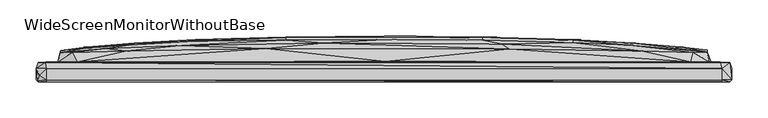
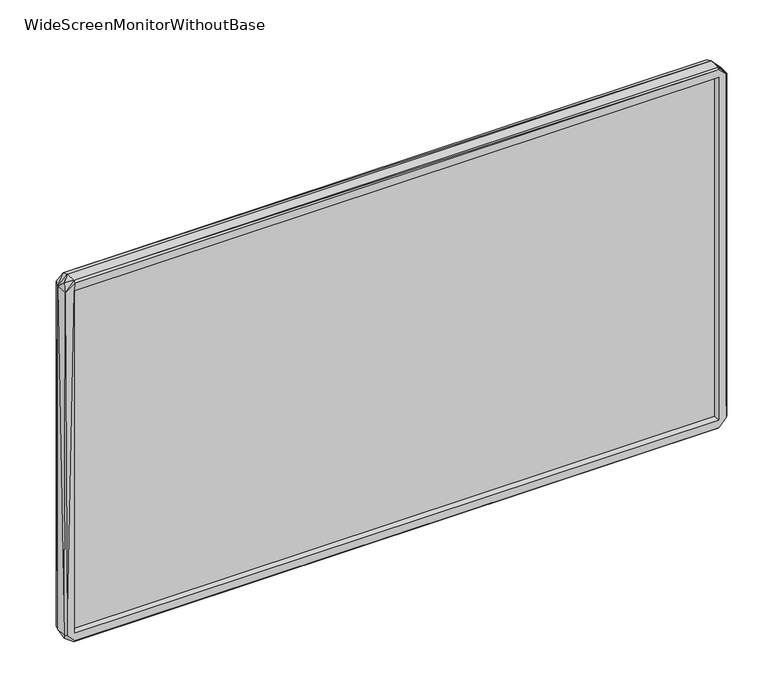
"""IFC4 building model written with IfcOpenShell, lengths in millimetres: furniture geometry, WideScreenMonitorWithoutBase."""

import ifcopenshell
import ifcopenshell.guid

model = None  # the IFC model being written
_history = None  # IfcOwnerHistory: only IFC2X3 demands one
_inside = {}  # id of a spatial element -> (the spatial element, [elements in it])
_under = {}  # id of a project, library or spatial element -> (it, [spatial elements below it])
_declared = {}  # id of a project -> (the project, [libraries it declares])
_typed = {}  # id of a type object -> (the type object, [elements of that type])
_made_of = {}  # id of a material, layer set ... -> (it, [elements and type objects made of it])


def new_model(schema):
    """Start an empty IFC model of exactly this schema.

    Asked for "IFC4X3", IfcOpenShell would pick the latest addendum, in which some entities
    have other attributes; the version numbers below select the first issue.
    IFC2X3 requires an IfcOwnerHistory on every rooted entity: one is made here for all.
    """
    global model, _history
    if schema == "IFC4X3":
        model = ifcopenshell.file(schema_version=(4, 3, 0, 0))
    else:
        model = ifcopenshell.file(schema=schema)
    _inside.clear()
    _under.clear()
    _declared.clear()
    _typed.clear()
    _made_of.clear()
    _history = None
    if model.schema == "IFC2X3":
        org = make("IfcOrganization", Name="unknown")
        user = make(
            "IfcPersonAndOrganization",
            ThePerson=make("IfcPerson", FamilyName="unknown"),
            TheOrganization=org,
        )
        app = make(
            "IfcApplication",
            ApplicationDeveloper=org,
            Version="unknown",
            ApplicationFullName="unknown",
            ApplicationIdentifier="unknown",
        )
        _history = make(
            "IfcOwnerHistory",
            OwningUser=user,
            OwningApplication=app,
            ChangeAction="ADDED",
            CreationDate=0,
        )
    return model


def make(cls, **values):
    """One entity of the class cls with the attributes given. An attribute that is None is left unset."""
    return model.create_entity(
        cls, **{name: value for name, value in values.items() if value is not None}
    )


def rooted(cls, **values):
    """An entity with a GlobalId (a new one), such as an element, a storey or a relation."""
    return make(cls, GlobalId=ifcopenshell.guid.new(), OwnerHistory=_history, **values)


def si_unit(unit_type, name, prefix=None):
    """IfcSIUnit, for example si_unit("LENGTHUNIT", "METRE", prefix="MILLI")."""
    return make("IfcSIUnit", UnitType=unit_type, Prefix=prefix, Name=name)


def assignment(units):
    """IfcUnitAssignment: the units of a project."""
    return None if units is None else make("IfcUnitAssignment", Units=units)


def point(xyz):
    """IfcCartesianPoint."""
    return None if xyz is None else make("IfcCartesianPoint", Coordinates=xyz)


def direction(xyz):
    """IfcDirection."""
    return None if xyz is None else make("IfcDirection", DirectionRatios=xyz)


def frame(location, z_axis=None, x_axis=None):
    """IfcAxis2Placement3D, a coordinate frame: its origin and axes. An axis left out is left unset."""
    return make(
        "IfcAxis2Placement3D",
        Location=point(location),
        Axis=direction(z_axis),
        RefDirection=direction(x_axis),
    )


def origin():
    """The frame at (0, 0, 0) with its axes left unset."""
    return frame((0.0, 0.0, 0.0))


def place(relative_to, where):
    """IfcLocalPlacement: puts the frame where relative to a parent placement (None: the world)."""
    return make(
        "IfcLocalPlacement", PlacementRelTo=relative_to, RelativePlacement=where
    )


def context(
    kind, dimensions, precision=None, world=None, true_north=None, identifier=None
):
    """IfcGeometricRepresentationContext, for example the 3D "Model" context."""
    return make(
        "IfcGeometricRepresentationContext",
        ContextIdentifier=identifier,
        ContextType=kind,
        CoordinateSpaceDimension=dimensions,
        Precision=precision,
        WorldCoordinateSystem=world,
        TrueNorth=true_north,
    )


def project(units=None, contexts=None):
    """IfcProject with its units and contexts."""
    return rooted(
        "IfcProject",
        Name="project",
        RepresentationContexts=contexts,
        UnitsInContext=assignment(units),
    )


def spatial(cls, under=None, at=None, **own):
    """A site, building, storey or space (cls), placed at a placement, below another one or the project."""
    s = rooted(cls, ObjectPlacement=at, **own)
    if under is not None:
        _under.setdefault(under.id(), (under, []))[1].append(s)
    return s


def point_list(points):
    """IfcCartesianPointList2D or 3D."""
    cls = (
        "IfcCartesianPointList2D" if len(points[0]) == 2 else "IfcCartesianPointList3D"
    )
    return make(cls, CoordList=points)


def triangles(points, corners, closed=None, point_numbers=None):
    """IfcTriangulatedFaceSet: each triangle names its three corners, points numbered from 1."""
    return make(
        "IfcTriangulatedFaceSet",
        Coordinates=point_list(points),
        Closed=closed,
        CoordIndex=corners,
        PnIndex=point_numbers,
    )


def shape(context_of_items, identifier, shape_type, items):
    """IfcShapeRepresentation: the items that make up one representation, for example the "Body"."""
    return make(
        "IfcShapeRepresentation",
        ContextOfItems=context_of_items,
        RepresentationIdentifier=identifier,
        RepresentationType=shape_type,
        Items=items,
    )


def source(mapping_origin, context_of_items, identifier, shape_type, items):
    """IfcRepresentationMap: a shape defined once, which mapped items show again and again."""
    return make(
        "IfcRepresentationMap",
        MappingOrigin=mapping_origin,
        MappedRepresentation=shape(context_of_items, identifier, shape_type, items),
    )


def transform(
    local_origin,
    x_axis=None,
    y_axis=None,
    z_axis=None,
    scale=None,
    scale2=None,
    scale3=None,
    uniform=True,
):
    """IfcCartesianTransformationOperator3D, or its non-uniform kind. x_axis, y_axis, z_axis: its Axis1, 2, 3."""
    if uniform:
        return make(
            "IfcCartesianTransformationOperator3D",
            Axis1=direction(x_axis),
            Axis2=direction(y_axis),
            LocalOrigin=point(local_origin),
            Scale=scale,
            Axis3=direction(z_axis),
        )
    return make(
        "IfcCartesianTransformationOperator3DnonUniform",
        Axis1=direction(x_axis),
        Axis2=direction(y_axis),
        LocalOrigin=point(local_origin),
        Scale=scale,
        Axis3=direction(z_axis),
        Scale2=scale2,
        Scale3=scale3,
    )


def mapped(mapping_source, mapping_target):
    """IfcMappedItem: shows the shape of a source again, moved by a transform."""
    return make(
        "IfcMappedItem", MappingSource=mapping_source, MappingTarget=mapping_target
    )


def made_of(thing, what):
    """Note that an element or type object is made of a material, layer set ...; save() writes the relation."""
    if what is not None:
        _made_of.setdefault(what.id(), (what, []))[1].append(thing)
    return thing


def element(
    cls,
    number,
    at=None,
    inside=None,
    cuts=None,
    type_object=None,
    material=None,
    context=None,
    identifier="Body",
    shape_type=None,
    held_by="IfcProductDefinitionShape",
    body=None,
    shapes=None,
    **own,
):
    """One element of the class cls, such as IfcWall. Its Tag is "e" and its number.

    at: its placement. inside: the storey or other place that contains it. cuts: it is an
    opening in that element (IfcRelVoidsElement). A single representation is given by context,
    identifier, shape_type and body (its items); several are given by shapes. held_by: the class
    of the entity that holds the representations. save() writes the other relations.
    """
    e = rooted(cls, Tag="e%d" % number, ObjectPlacement=at, **own)
    if body is not None:
        shapes = [shape(context, identifier, shape_type, body)]
    if shapes is not None:
        e.Representation = make(held_by, Representations=shapes)
    if inside is not None:
        _inside.setdefault(inside.id(), (inside, []))[1].append(e)
    if cuts is not None:
        rooted(
            "IfcRelVoidsElement", RelatingBuildingElement=cuts, RelatedOpeningElement=e
        )
    if type_object is not None:
        _typed.setdefault(type_object.id(), (type_object, []))[1].append(e)
    return made_of(e, material)


def aggregate(whole, parts):
    """IfcRelAggregates: a whole, such as a stair, and the parts it consists of."""
    return rooted("IfcRelAggregates", RelatingObject=whole, RelatedObjects=parts)


def save(model, path):
    """Write the relations noted so far, then the file.

    IfcRelAggregates (storeys below a building ...), IfcRelContainedInSpatialStructure (elements
    in a storey), IfcRelDefinesByType, IfcRelAssociatesMaterial and IfcRelDeclares: one each for
    every whole, place, type object, material and project.
    """
    for whole, parts in _under.values():
        aggregate(whole, parts)
    for where, things in _inside.values():
        rooted(
            "IfcRelContainedInSpatialStructure",
            RelatedElements=things,
            RelatingStructure=where,
        )
    for kind, things in _typed.values():
        rooted("IfcRelDefinesByType", RelatedObjects=things, RelatingType=kind)
    for what, things in _made_of.values():
        rooted("IfcRelAssociatesMaterial", RelatedObjects=things, RelatingMaterial=what)
    for by, libraries in _declared.values():
        rooted("IfcRelDeclares", RelatingContext=by, RelatedDefinitions=libraries)
    model.write(path)


def widescreenmonitorwithoutbase_ee2d6b88(model_context):
    return source(origin(), model_context, "Body", "Tessellation", [
        triangles([(463.3285503, 4.1466929, 17.551227), (463.3285503, 4.1466929, 535.40075), (463.3285503, 1.8466926, 17.551227), (463.3285503, 1.8466926, 535.40075), (-463.2796071, 1.8466412, 535.40075), (-463.2796071, 4.1466415, 535.40075), (-463.2796071, 4.1466415, 17.551227), (-463.2796071, 1.8466412, 17.551227)], [[1, 2, 3], [3, 2, 4], [5, 4, 2], [5, 2, 6], [7, 1, 3], [7, 3, 8], [7, 6, 1], [7, 8, 5], [7, 5, 6], [8, 3, 4], [8, 4, 5], [1, 6, 2]]),
        triangles([(-479.8060329, 14.5199735, 14.4410233), (-479.8060329, -1.2800267, 14.4410233), (-479.706039, 14.5199735, 538.7084332), (-476.9060283, 22.9199741, 13.6410233), (-476.1060408, 5.2199734, 4.5410237), (-477.0060585, 22.9199741, 540.3084083), (-477.1060524, -4.0800264, 14.2410241), (-478.6060335, -2.4800264, 538.7084332), (-466.3060212, -4.0800258, 14.2410241), (-466.3060212, -4.0800258, 538.7084332), (-466.0060395, -4.0800258, 2.6410236), (-466.0060395, -1.280026, 0.0410237), (-449.8060472, 23.4199754, 48.4410249), (-418.9998608, 23.5199761, 25.7410228), (-468.7060564, 22.9199741, 3.3410238), (-466.0060395, 14.5199747, 0.0410237), (463.8052291, 22.9200263, 2.7410235), (466.2052279, -4.0799739, 2.7410235), (466.3052218, -4.0799739, 14.2410241), (-463.3060226, 1.8199742, 17.5410226), (463.3052233, 1.8200257, 17.5410226), (466.2052279, -1.279974, 0.0410237), (466.2052279, 14.5200269, 0.0410237), (-463.3060226, 7.8199731, 17.5410226), (-463.3060226, 7.8199731, 535.408453), (-463.3060226, 1.8199742, 535.408453), (463.3052233, 7.8200248, 17.5410226), (-11.5504055, 7.92, 272.5247353), (-449.8060472, 23.4199754, 504.5084496), (-445.806037, 36.9855581, 70.7977634), (-428.3998684, 36.1855593, 33.9410219), (-445.9060309, 39.1855578, 386.238234), (422.1990478, 23.5200238, 25.7410228), (-395.6998658, 37.1855618, 29.5410225), (3.049591, 42.1855837, 29.5410225), (330.3928782, 38.9855973, 29.5410225), (427.6990754, 36.1856047, 33.4410229), (448.4052243, 23.4200253, 45.2410203), (476.9052289, 22.9200263, 14.9410234), (445.8052377, 37.0856065, 73.2977607), (450.5052415, 23.9200243, 245.6679807), (463.3052233, 7.8200248, 535.408453), (463.3052233, 1.8200257, 535.408453), (475.8052234, 4.6200268, 4.0410236), (479.8052336, -1.2799733, 14.2410241), (477.2052106, -4.0799733, 14.5410229), (466.3052218, -4.0799739, 538.7084332), (479.8052336, 14.520028, 14.3410237), (477.1052167, 22.9200263, 539.5083844), (479.8052336, 14.520028, 538.4084152), (479.6052458, -1.2799733, 539.0084513), (477.0052228, -4.0799733, 540.6083899), (-337.5936378, 47.1855646, 128.6545108), (-275.5813075, 40.1855649, 29.5410225), (-160.8689235, 48.4855761, 75.997764), (-260.4813025, 50.585566, 128.5545078), (82.961951, 49.2855863, 75.997764), (281.9867123, 46.2856014, 80.4977664), (354.3929031, 46.1856029, 127.6545083), (410.0990596, 42.6856076, 144.8545031), (-445.9060309, 39.5855561, 186.1112417), (-410.099859, 44.3855584, 247.8679918), (-342.5936597, 49.3855666, 203.3679827), (-135.2689236, 53.5855737, 129.3545044), (0.0495918, 54.4855823, 128.7544956), (135.2681787, 53.4855889, 127.5545053), (260.4805213, 52.5855938, 176.4112342), (445.9052316, 39.4856076, 176.811228), (445.9052316, 39.6856091, 351.1814713), (445.8052377, 36.9856104, 481.851693), (-260.4813025, 53.5855646, 203.3679827), (-135.2689236, 57.0855735, 203.3679827), (0.0495916, 58.185579, 203.3679827), (135.2681787, 57.0855871, 203.3679827), (344.9928592, 49.1856015, 203.3679827), (410.0990596, 44.3856038, 304.1814876), (260.4805213, 54.485596, 276.3247577), (343.7928961, 49.9855981, 276.3247577), (448.7052423, 23.4200253, 506.7084606), (-343.7936591, 49.9855618, 276.3247577), (-344.9936585, 49.1855606, 349.1814843), (-410.099859, 42.6855622, 406.4949918), (-260.4813025, 54.4855687, 276.3247577), (-135.2689236, 58.0855761, 276.3247577), (0.0495915, 59.28558, 276.3247577), (135.2681787, 58.0855897, 276.3247577), (-260.4813025, 52.5855666, 376.2382267), (-135.2689236, 57.0855735, 349.1814843), (0.0495916, 58.185579, 349.1814843), (135.2681787, 57.0855871, 349.1814843), (260.4805213, 53.5855964, 349.1814843), (342.5928603, 49.3856029, 349.1814843), (-350.8936618, 46.7855618, 417.3949805), (-135.2689236, 53.4855707, 424.9949527), (0.0495918, 54.4855823, 423.8949835), (135.2681787, 53.5855873, 423.2949474), (260.4805213, 50.5855978, 424.0949713), (337.5928748, 47.1856055, 423.8949835), (-445.7060431, 36.5855576, 491.5516823), (-280.8874879, 46.2855696, 472.5517156), (-383.6998715, 41.8855611, 473.6516848), (-83.3627623, 49.2855772, 476.6516833), (162.3681779, 48.3855913, 476.6516833), (355.8928843, 38.4856006, 523.2084346), (426.6990274, 36.1856047, 519.3084546), (-430.2060445, 36.1855593, 517.608413), (-356.2936592, 38.4855642, 523.2084346), (-163.2689223, 41.6855733, 523.2084346), (172.768179, 41.585593, 523.2084346), (-475.8060227, 4.6199737, 548.9084284), (-466.3060212, 14.5199747, 552.8084084), (-467.206039, 22.9199741, 550.0084339), (-466.1060334, -1.280026, 552.9084386), (-466.1060334, -4.0800258, 550.2083854), (-422.999871, 23.5199761, 526.9083904), (1.8495921, 24.3199999, 527.5084265), (464.205241, 22.9200263, 550.2083854), (466.2052279, 14.5200269, 552.8084084), (466.0052402, -4.0799739, 550.3084156), (466.1052341, -1.279974, 552.9084386), (422.8990414, 23.5200238, 527.1084146)], [[1, 2, 3], [1, 4, 5], [1, 5, 2], [1, 3, 6], [1, 6, 4], [2, 7, 8], [2, 5, 7], [2, 8, 3], [7, 9, 10], [7, 11, 9], [7, 5, 12], [7, 12, 11], [7, 10, 8], [4, 13, 14], [4, 14, 15], [4, 6, 13], [4, 15, 5], [5, 15, 16], [5, 16, 12], [15, 14, 17], [15, 17, 16], [9, 11, 18], [9, 18, 19], [9, 20, 10], [9, 21, 20], [9, 19, 21], [11, 12, 22], [11, 22, 18], [12, 16, 23], [12, 23, 22], [16, 17, 23], [20, 21, 24], [20, 24, 25], [20, 26, 10], [20, 25, 26], [24, 21, 27], [24, 27, 28], [24, 28, 25], [13, 6, 29], [13, 30, 31], [13, 32, 30], [13, 29, 32], [13, 31, 14], [14, 33, 17], [14, 31, 34], [14, 34, 35], [14, 35, 33], [33, 35, 36], [33, 36, 37], [33, 37, 38], [33, 38, 39], [33, 39, 17], [38, 40, 41], [38, 37, 40], [38, 41, 39], [27, 21, 42], [27, 42, 28], [21, 19, 43], [21, 43, 42], [17, 39, 23], [23, 39, 44], [23, 44, 22], [22, 44, 45], [22, 45, 18], [18, 46, 19], [18, 45, 46], [19, 47, 43], [19, 46, 47], [44, 39, 48], [44, 48, 45], [39, 41, 49], [39, 49, 50], [39, 50, 48], [46, 51, 52], [46, 52, 47], [46, 45, 51], [45, 48, 50], [45, 50, 51], [31, 30, 53], [31, 53, 34], [34, 54, 35], [34, 55, 54], [34, 53, 56], [34, 56, 55], [54, 55, 35], [35, 55, 57], [35, 57, 36], [36, 57, 58], [36, 58, 37], [37, 58, 59], [37, 59, 60], [37, 60, 40], [30, 61, 62], [30, 62, 63], [30, 63, 53], [30, 32, 61], [55, 56, 64], [55, 64, 65], [55, 65, 57], [57, 65, 66], [57, 66, 58], [58, 66, 67], [58, 67, 59], [40, 68, 69], [40, 69, 70], [40, 60, 68], [40, 70, 41], [53, 63, 71], [53, 71, 56], [56, 71, 72], [56, 72, 64], [64, 72, 73], [64, 73, 65], [65, 73, 74], [65, 74, 66], [66, 74, 67], [59, 67, 75], [59, 75, 60], [60, 75, 76], [60, 76, 68], [61, 32, 62], [67, 74, 77], [67, 77, 78], [67, 78, 75], [68, 76, 69], [41, 70, 79], [41, 79, 49], [62, 80, 63], [62, 81, 80], [62, 32, 82], [62, 82, 81], [63, 80, 83], [63, 83, 71], [71, 83, 84], [71, 84, 72], [72, 84, 85], [72, 85, 73], [73, 85, 86], [73, 86, 74], [74, 86, 77], [75, 78, 76], [28, 42, 25], [80, 81, 87], [80, 87, 83], [83, 88, 84], [83, 87, 88], [84, 88, 89], [84, 89, 85], [85, 89, 90], [85, 90, 86], [86, 90, 91], [86, 91, 77], [77, 91, 92], [77, 92, 78], [78, 92, 76], [81, 82, 93], [81, 93, 87], [88, 87, 94], [88, 94, 95], [88, 95, 89], [89, 95, 96], [89, 96, 90], [90, 96, 97], [90, 97, 91], [91, 97, 98], [91, 98, 92], [92, 98, 70], [92, 70, 76], [76, 70, 69], [32, 29, 99], [32, 99, 82], [87, 93, 100], [87, 100, 94], [82, 99, 101], [82, 101, 93], [93, 101, 100], [94, 100, 102], [94, 102, 95], [95, 102, 103], [95, 103, 96], [96, 103, 97], [97, 103, 104], [97, 104, 98], [98, 104, 105], [98, 105, 70], [99, 29, 106], [99, 106, 101], [101, 106, 107], [101, 107, 100], [100, 107, 108], [100, 108, 102], [102, 108, 109], [102, 109, 103], [103, 109, 104], [70, 105, 79], [3, 110, 111], [3, 111, 112], [3, 112, 6], [3, 8, 110], [8, 113, 110], [8, 114, 113], [8, 10, 114], [6, 112, 115], [6, 115, 29], [110, 113, 111], [112, 116, 115], [112, 117, 116], [112, 111, 118], [112, 118, 117], [10, 26, 47], [10, 119, 114], [10, 47, 119], [111, 113, 118], [113, 120, 118], [113, 114, 119], [113, 119, 120], [26, 25, 43], [26, 43, 47], [25, 42, 43], [29, 115, 106], [115, 116, 108], [115, 107, 106], [115, 108, 107], [116, 117, 121], [116, 121, 109], [116, 109, 108], [121, 79, 105], [121, 104, 109], [121, 105, 104], [121, 117, 49], [121, 49, 79], [117, 118, 49], [119, 52, 120], [119, 47, 52], [120, 52, 51], [120, 51, 118], [118, 51, 49], [49, 51, 50]]),
    ])


if __name__ == "__main__":
    model = new_model("IFC4")
    model_context = context("Model", 3, world=origin())
    ifc_project = project(units=[si_unit("LENGTHUNIT", "METRE", prefix="MILLI")], contexts=[model_context])
    site = spatial("IfcSite", under=ifc_project)
    building = spatial("IfcBuilding", under=site)
    placement = place(None, origin())
    widescreenmonitorwithoutbase_shape = widescreenmonitorwithoutbase_ee2d6b88(model_context)
    element("IfcFurniture", 1, ObjectType="WideScreenMonitorWithoutBase", at=placement, inside=building, context=model_context, shape_type="MappedRepresentation", body=[
        mapped(widescreenmonitorwithoutbase_shape, transform((0.0, 0.0, 0.0), x_axis=(1.0, 0.0, 0.0), y_axis=(0.0, 1.0, 0.0), z_axis=(0.0, 0.0, 1.0))),
    ])
    save(model, "model.ifc")
